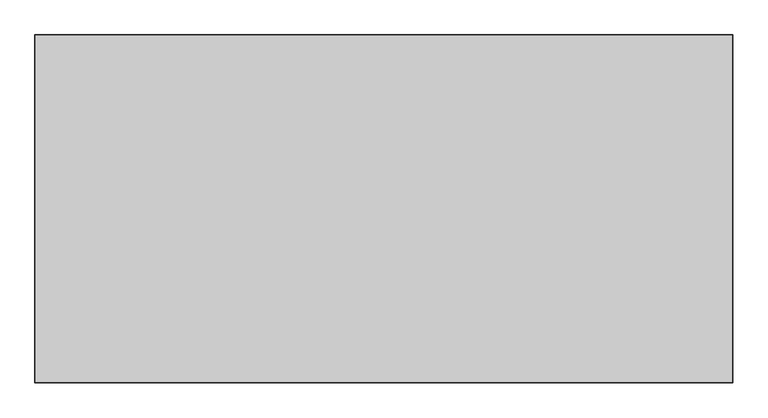
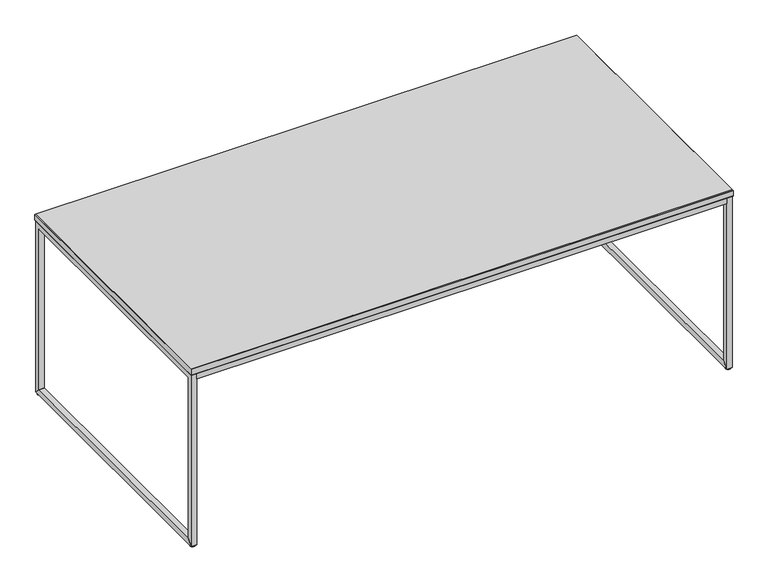
"""IFC4 building model written with IfcOpenShell, lengths in millimetres: furniture geometry."""

from ifc_helpers import new_model, si_unit, point, frame, frame_2d, origin, origin_with_axes, place, context, project, spatial, polyline, circle_curve, trimmed, segment, composite_curve, outline, extrude, faceted_brep, source, transform, mapped, element, save


def furniture_d22c84c3(model_context):
    return source(origin(), model_context, "Body", "SolidModel", [
        extrude(outline(composite_curve([segment(trimmed(circle_curve(frame_2d((989.80625, -492.1861908)), 9.525), [point((980.28125, -492.1861908))], [point((999.33125, -492.1861908))], False, "CARTESIAN"), True, "CONTINUOUS"), segment(trimmed(circle_curve(frame_2d((989.80625, -492.1861908)), 9.525), [point((999.33125, -492.1861908))], [point((980.28125, -492.1861908))], False, "CARTESIAN"), True, "CONTINUOUS")], self_intersect=False)), origin_with_axes(), (0.0, 0.0, 1.0), 3.175),
        extrude(outline(composite_curve([segment(trimmed(circle_curve(frame_2d((989.80625, 484.1263092)), 9.525), [point((980.28125, 484.1263092))], [point((999.33125, 484.1263092))], False, "CARTESIAN"), True, "CONTINUOUS"), segment(trimmed(circle_curve(frame_2d((989.80625, 484.1263092)), 9.525), [point((999.33125, 484.1263092))], [point((980.28125, 484.1263092))], False, "CARTESIAN"), True, "CONTINUOUS")], self_intersect=False)), origin_with_axes(), (0.0, 0.0, 1.0), 3.175),
        extrude(outline(composite_curve([segment(trimmed(circle_curve(frame_2d((-989.80625, 484.1263092)), 9.525), [point((-999.33125, 484.1263092))], [point((-980.28125, 484.1263092))], False, "CARTESIAN"), True, "CONTINUOUS"), segment(trimmed(circle_curve(frame_2d((-989.80625, 484.1263092)), 9.525), [point((-980.28125, 484.1263092))], [point((-999.33125, 484.1263092))], False, "CARTESIAN"), True, "CONTINUOUS")], self_intersect=False)), origin_with_axes(), (0.0, 0.0, 1.0), 3.175),
        extrude(outline(composite_curve([segment(trimmed(circle_curve(frame_2d((-989.80625, -492.1861908)), 9.525), [point((-999.33125, -492.1861908))], [point((-980.28125, -492.1861908))], False, "CARTESIAN"), True, "CONTINUOUS"), segment(trimmed(circle_curve(frame_2d((-989.80625, -492.1861908)), 9.525), [point((-980.28125, -492.1861908))], [point((-999.33125, -492.1861908))], False, "CARTESIAN"), True, "CONTINUOUS")], self_intersect=False)), origin_with_axes(), (0.0, 0.0, 1.0), 3.175),
        extrude(outline(polyline([(979.4875, -481.8674408), (979.4875, -502.5049408), (-979.4875, -502.5049408), (-979.4875, -481.8674408), (979.4875, -481.8674408)])), frame((0.0, 0.0, 652.4625), z_axis=(0.0, 0.0, 1.0), x_axis=(1.0, 0.0, 0.0)), (0.0, 0.0, 1.0), 20.6375),
        extrude(outline(polyline([(979.4875, 494.4450592), (979.4875, 473.8075592), (-979.4875, 473.8075592), (-979.4875, 494.4450592), (979.4875, 494.4450592)])), frame((0.0, 0.0, 652.4625), z_axis=(0.0, 0.0, 1.0), x_axis=(1.0, 0.0, 0.0)), (0.0, 0.0, 1.0), 20.6375),
        faceted_brep([(1001.7125, 496.0325592, 674.6875), (-1001.7125, 496.0325592, 674.6875), (-1001.7125, -504.0924408, 674.6875), (1001.7125, -504.0924408, 674.6875), (1000.125, 494.4450592, 673.1), (1000.125, -502.5049408, 673.1), (-1000.125, -502.5049408, 673.1), (-1000.125, 494.4450592, 673.1)], [[[0, 1, 2, 3]], [[4, 5, 6, 7]], [[4, 7, 1, 0]], [[7, 6, 2, 1]], [[6, 5, 3, 2]], [[5, 4, 0, 3]]]),
        faceted_brep([(1000.125, 494.4450592, 698.5), (-1000.125, 494.4450592, 698.5), (-1000.125, -502.5049408, 698.5), (1000.125, -502.5049408, 698.5), (1001.7125, 496.0325592, 696.9125), (1001.7125, -504.0924408, 696.9125), (-1001.7125, -504.0924408, 696.9125), (-1001.7125, 496.0325592, 696.9125)], [[[0, 1, 2, 3]], [[4, 5, 6, 7]], [[4, 7, 1, 0]], [[7, 6, 2, 1]], [[6, 5, 3, 2]], [[5, 4, 0, 3]]]),
        extrude(outline(polyline([(-502.5049408, 3.175), (-481.8674408, 23.8125), (473.8075592, 23.8125), (494.4450592, 3.175), (-502.5049408, 3.175)])), frame((979.4875, 0.0, 0.0), z_axis=(1.0, 0.0, 0.0), x_axis=(0.0, 1.0, 0.0)), (0.0, 0.0, 1.0), 20.6375),
        extrude(outline(polyline([(-481.8674408, 652.4625), (-481.8674408, 23.8125), (-502.5049408, 3.175), (-502.5049408, 673.1), (494.4450592, 673.1), (494.4450592, 3.175), (473.8075592, 23.8125), (473.8075592, 652.4625), (-481.8674408, 652.4625)])), frame((979.4875, 0.0, 0.0), z_axis=(1.0, 0.0, 0.0), x_axis=(0.0, 1.0, 0.0)), (0.0, 0.0, 1.0), 20.6375),
        extrude(outline(polyline([(-502.5049408, 3.175), (-481.8674408, 23.8125), (473.8075592, 23.8125), (494.4450592, 3.175), (-502.5049408, 3.175)])), frame((-1000.125, 0.0, 0.0), z_axis=(1.0, 0.0, 0.0), x_axis=(0.0, 1.0, 0.0)), (0.0, 0.0, 1.0), 20.6375),
        extrude(outline(polyline([(-481.8674408, 652.4625), (-481.8674408, 23.8125), (-502.5049408, 3.175), (-502.5049408, 673.1), (494.4450592, 673.1), (494.4450592, 3.175), (473.8075592, 23.8125), (473.8075592, 652.4625), (-481.8674408, 652.4625)])), frame((-1000.125, 0.0, 0.0), z_axis=(1.0, 0.0, 0.0), x_axis=(0.0, 1.0, 0.0)), (0.0, 0.0, 1.0), 20.6375),
        extrude(outline(polyline([(1001.7125, 496.0325592), (1001.7125, -504.0924408), (-1001.7125, -504.0924408), (-1001.7125, 496.0325592), (1001.7125, 496.0325592)])), frame((0.0, 0.0, 674.6875), z_axis=(0.0, 0.0, 1.0), x_axis=(1.0, 0.0, 0.0)), (0.0, 0.0, 1.0), 22.225),
    ])


if __name__ == "__main__":
    model = new_model("IFC4")
    model_context = context("Model", 3, world=origin())
    ifc_project = project(units=[si_unit("LENGTHUNIT", "METRE", prefix="MILLI")], contexts=[model_context])
    site = spatial("IfcSite", under=ifc_project)
    building = spatial("IfcBuilding", under=site)
    placement = place(None, origin())
    furniture_shape = furniture_d22c84c3(model_context)
    element("IfcFurniture", 1, at=placement, inside=building, context=model_context, shape_type="MappedRepresentation", body=[
        mapped(furniture_shape, transform((0.0, 0.0, 0.0), x_axis=(1.0, 0.0, 0.0), y_axis=(0.0, 1.0, 0.0), z_axis=(0.0, 0.0, 1.0))),
    ])
    save(model, "model.ifc")
